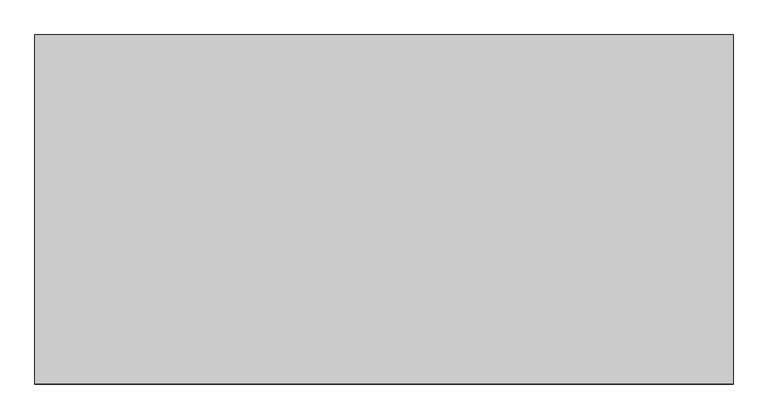
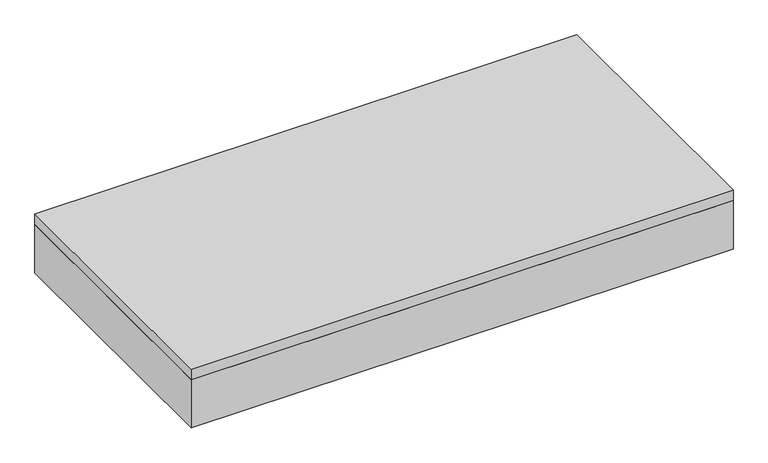
"""IFC4 building model written with IfcOpenShell, lengths in millimetres: light fixture geometry."""

import ifcopenshell
import ifcopenshell.guid

model = None  # the IFC model being written
_history = None  # IfcOwnerHistory: only IFC2X3 demands one
_inside = {}  # id of a spatial element -> (the spatial element, [elements in it])
_under = {}  # id of a project, library or spatial element -> (it, [spatial elements below it])
_declared = {}  # id of a project -> (the project, [libraries it declares])
_typed = {}  # id of a type object -> (the type object, [elements of that type])
_made_of = {}  # id of a material, layer set ... -> (it, [elements and type objects made of it])


def new_model(schema):
    """Start an empty IFC model of exactly this schema.

    Asked for "IFC4X3", IfcOpenShell would pick the latest addendum, in which some entities
    have other attributes; the version numbers below select the first issue.
    IFC2X3 requires an IfcOwnerHistory on every rooted entity: one is made here for all.
    """
    global model, _history
    if schema == "IFC4X3":
        model = ifcopenshell.file(schema_version=(4, 3, 0, 0))
    else:
        model = ifcopenshell.file(schema=schema)
    _inside.clear()
    _under.clear()
    _declared.clear()
    _typed.clear()
    _made_of.clear()
    _history = None
    if model.schema == "IFC2X3":
        org = make("IfcOrganization", Name="unknown")
        user = make(
            "IfcPersonAndOrganization",
            ThePerson=make("IfcPerson", FamilyName="unknown"),
            TheOrganization=org,
        )
        app = make(
            "IfcApplication",
            ApplicationDeveloper=org,
            Version="unknown",
            ApplicationFullName="unknown",
            ApplicationIdentifier="unknown",
        )
        _history = make(
            "IfcOwnerHistory",
            OwningUser=user,
            OwningApplication=app,
            ChangeAction="ADDED",
            CreationDate=0,
        )
    return model


def make(cls, **values):
    """One entity of the class cls with the attributes given. An attribute that is None is left unset."""
    return model.create_entity(
        cls, **{name: value for name, value in values.items() if value is not None}
    )


def rooted(cls, **values):
    """An entity with a GlobalId (a new one), such as an element, a storey or a relation."""
    return make(cls, GlobalId=ifcopenshell.guid.new(), OwnerHistory=_history, **values)


def si_unit(unit_type, name, prefix=None):
    """IfcSIUnit, for example si_unit("LENGTHUNIT", "METRE", prefix="MILLI")."""
    return make("IfcSIUnit", UnitType=unit_type, Prefix=prefix, Name=name)


def assignment(units):
    """IfcUnitAssignment: the units of a project."""
    return None if units is None else make("IfcUnitAssignment", Units=units)


def point(xyz):
    """IfcCartesianPoint."""
    return None if xyz is None else make("IfcCartesianPoint", Coordinates=xyz)


def direction(xyz):
    """IfcDirection."""
    return None if xyz is None else make("IfcDirection", DirectionRatios=xyz)


def frame(location, z_axis=None, x_axis=None):
    """IfcAxis2Placement3D, a coordinate frame: its origin and axes. An axis left out is left unset."""
    return make(
        "IfcAxis2Placement3D",
        Location=point(location),
        Axis=direction(z_axis),
        RefDirection=direction(x_axis),
    )


def origin():
    """The frame at (0, 0, 0) with its axes left unset."""
    return frame((0.0, 0.0, 0.0))


def place(relative_to, where):
    """IfcLocalPlacement: puts the frame where relative to a parent placement (None: the world)."""
    return make(
        "IfcLocalPlacement", PlacementRelTo=relative_to, RelativePlacement=where
    )


def context(
    kind, dimensions, precision=None, world=None, true_north=None, identifier=None
):
    """IfcGeometricRepresentationContext, for example the 3D "Model" context."""
    return make(
        "IfcGeometricRepresentationContext",
        ContextIdentifier=identifier,
        ContextType=kind,
        CoordinateSpaceDimension=dimensions,
        Precision=precision,
        WorldCoordinateSystem=world,
        TrueNorth=true_north,
    )


def project(units=None, contexts=None):
    """IfcProject with its units and contexts."""
    return rooted(
        "IfcProject",
        Name="project",
        RepresentationContexts=contexts,
        UnitsInContext=assignment(units),
    )


def spatial(cls, under=None, at=None, **own):
    """A site, building, storey or space (cls), placed at a placement, below another one or the project."""
    s = rooted(cls, ObjectPlacement=at, **own)
    if under is not None:
        _under.setdefault(under.id(), (under, []))[1].append(s)
    return s


def polyline(points):
    """IfcPolyline through the points."""
    return make("IfcPolyline", Points=[point(p) for p in points])


def outline(outer, holes=None, kind="AREA"):
    """IfcArbitraryClosedProfileDef: a profile drawn as a closed curve; with holes, ...WithVoids."""
    if holes is None:
        return make("IfcArbitraryClosedProfileDef", ProfileType=kind, OuterCurve=outer)
    return make(
        "IfcArbitraryProfileDefWithVoids",
        ProfileType=kind,
        OuterCurve=outer,
        InnerCurves=holes,
    )


def extrude(swept, where, along, depth):
    """IfcExtrudedAreaSolid: the profile swept, set in the frame where, extruded along a direction by depth."""
    return make(
        "IfcExtrudedAreaSolid",
        SweptArea=swept,
        Position=where,
        ExtrudedDirection=direction(along),
        Depth=depth,
    )


def shape(context_of_items, identifier, shape_type, items):
    """IfcShapeRepresentation: the items that make up one representation, for example the "Body"."""
    return make(
        "IfcShapeRepresentation",
        ContextOfItems=context_of_items,
        RepresentationIdentifier=identifier,
        RepresentationType=shape_type,
        Items=items,
    )


def source(mapping_origin, context_of_items, identifier, shape_type, items):
    """IfcRepresentationMap: a shape defined once, which mapped items show again and again."""
    return make(
        "IfcRepresentationMap",
        MappingOrigin=mapping_origin,
        MappedRepresentation=shape(context_of_items, identifier, shape_type, items),
    )


def transform(
    local_origin,
    x_axis=None,
    y_axis=None,
    z_axis=None,
    scale=None,
    scale2=None,
    scale3=None,
    uniform=True,
):
    """IfcCartesianTransformationOperator3D, or its non-uniform kind. x_axis, y_axis, z_axis: its Axis1, 2, 3."""
    if uniform:
        return make(
            "IfcCartesianTransformationOperator3D",
            Axis1=direction(x_axis),
            Axis2=direction(y_axis),
            LocalOrigin=point(local_origin),
            Scale=scale,
            Axis3=direction(z_axis),
        )
    return make(
        "IfcCartesianTransformationOperator3DnonUniform",
        Axis1=direction(x_axis),
        Axis2=direction(y_axis),
        LocalOrigin=point(local_origin),
        Scale=scale,
        Axis3=direction(z_axis),
        Scale2=scale2,
        Scale3=scale3,
    )


def mapped(mapping_source, mapping_target):
    """IfcMappedItem: shows the shape of a source again, moved by a transform."""
    return make(
        "IfcMappedItem", MappingSource=mapping_source, MappingTarget=mapping_target
    )


def made_of(thing, what):
    """Note that an element or type object is made of a material, layer set ...; save() writes the relation."""
    if what is not None:
        _made_of.setdefault(what.id(), (what, []))[1].append(thing)
    return thing


def element(
    cls,
    number,
    at=None,
    inside=None,
    cuts=None,
    type_object=None,
    material=None,
    context=None,
    identifier="Body",
    shape_type=None,
    held_by="IfcProductDefinitionShape",
    body=None,
    shapes=None,
    **own,
):
    """One element of the class cls, such as IfcWall. Its Tag is "e" and its number.

    at: its placement. inside: the storey or other place that contains it. cuts: it is an
    opening in that element (IfcRelVoidsElement). A single representation is given by context,
    identifier, shape_type and body (its items); several are given by shapes. held_by: the class
    of the entity that holds the representations. save() writes the other relations.
    """
    e = rooted(cls, Tag="e%d" % number, ObjectPlacement=at, **own)
    if body is not None:
        shapes = [shape(context, identifier, shape_type, body)]
    if shapes is not None:
        e.Representation = make(held_by, Representations=shapes)
    if inside is not None:
        _inside.setdefault(inside.id(), (inside, []))[1].append(e)
    if cuts is not None:
        rooted(
            "IfcRelVoidsElement", RelatingBuildingElement=cuts, RelatedOpeningElement=e
        )
    if type_object is not None:
        _typed.setdefault(type_object.id(), (type_object, []))[1].append(e)
    return made_of(e, material)


def aggregate(whole, parts):
    """IfcRelAggregates: a whole, such as a stair, and the parts it consists of."""
    return rooted("IfcRelAggregates", RelatingObject=whole, RelatedObjects=parts)


def save(model, path):
    """Write the relations noted so far, then the file.

    IfcRelAggregates (storeys below a building ...), IfcRelContainedInSpatialStructure (elements
    in a storey), IfcRelDefinesByType, IfcRelAssociatesMaterial and IfcRelDeclares: one each for
    every whole, place, type object, material and project.
    """
    for whole, parts in _under.values():
        aggregate(whole, parts)
    for where, things in _inside.values():
        rooted(
            "IfcRelContainedInSpatialStructure",
            RelatedElements=things,
            RelatingStructure=where,
        )
    for kind, things in _typed.values():
        rooted("IfcRelDefinesByType", RelatedObjects=things, RelatingType=kind)
    for what, things in _made_of.values():
        rooted("IfcRelAssociatesMaterial", RelatedObjects=things, RelatingMaterial=what)
    for by, libraries in _declared.values():
        rooted("IfcRelDeclares", RelatingContext=by, RelatedDefinitions=libraries)
    model.write(path)


def light_fixture_ca384779(model_context):
    return source(origin(), model_context, "Body", "SweptSolid", [
        extrude(outline(polyline([(565.4964984, 219.9340679), (565.4964984, -338.8659321), (-602.9035016, -338.8659321), (-602.9035016, 219.9340679), (565.4964984, 219.9340679)]), holes=[polyline([(-409.2285016, 35.7840679), (-409.2285016, 213.5840679), (-596.5535016, 213.5840679), (-596.5535016, 35.7840679), (-409.2285016, 35.7840679)]), polyline([(-409.2285016, -148.3659321), (-409.2285016, 29.4340679), (-596.5535016, 29.4340679), (-596.5535016, -148.3659321), (-409.2285016, -148.3659321)]), polyline([(-409.2285016, -154.7159321), (-596.5535016, -154.7159321), (-596.5535016, -332.5159321), (-409.2285016, -332.5159321), (-409.2285016, -154.7159321)]), polyline([(-215.5535016, 35.7840679), (-215.5535016, 213.5840679), (-402.8785016, 213.5840679), (-402.8785016, 35.7840679), (-215.5535016, 35.7840679)]), polyline([(-215.5535016, -148.3659321), (-215.5535016, 29.4340679), (-402.8785016, 29.4340679), (-402.8785016, -148.3659321), (-215.5535016, -148.3659321)]), polyline([(-215.5535016, -154.7159321), (-402.8785016, -154.7159321), (-402.8785016, -332.5159321), (-215.5535016, -332.5159321), (-215.5535016, -154.7159321)]), polyline([(-21.8785016, 35.7840679), (-21.8785016, 213.5840679), (-209.2035016, 213.5840679), (-209.2035016, 35.7840679), (-21.8785016, 35.7840679)]), polyline([(-21.8785016, -148.3659321), (-21.8785016, 29.4340679), (-209.2035016, 29.4340679), (-209.2035016, -148.3659321), (-21.8785016, -148.3659321)]), polyline([(-21.8785016, -154.7159321), (-209.2035016, -154.7159321), (-209.2035016, -332.5159321), (-21.8785016, -332.5159321), (-21.8785016, -154.7159321)]), polyline([(171.7964984, 35.7840679), (171.7964984, 213.5840679), (-15.5285016, 213.5840679), (-15.5285016, 35.7840679), (171.7964984, 35.7840679)]), polyline([(171.7964984, -148.3659321), (171.7964984, 29.4340679), (-15.5285016, 29.4340679), (-15.5285016, -148.3659321), (171.7964984, -148.3659321)]), polyline([(171.7964984, -154.7159321), (-15.5285016, -154.7159321), (-15.5285016, -332.5159321), (171.7964984, -332.5159321), (171.7964984, -154.7159321)]), polyline([(365.4714984, 35.7840679), (365.4714984, 213.5840679), (178.1464984, 213.5840679), (178.1464984, 35.7840679), (365.4714984, 35.7840679)]), polyline([(365.4714984, -148.3659321), (365.4714984, 29.4340679), (178.1464984, 29.4340679), (178.1464984, -148.3659321), (365.4714984, -148.3659321)]), polyline([(365.4714984, -154.7159321), (178.1464984, -154.7159321), (178.1464984, -332.5159321), (365.4714984, -332.5159321), (365.4714984, -154.7159321)]), polyline([(559.1464984, 35.7840679), (559.1464984, 213.5840679), (371.8214984, 213.5840679), (371.8214984, 35.7840679), (559.1464984, 35.7840679)]), polyline([(559.1464984, -148.3659321), (559.1464984, 29.4340679), (371.8214984, 29.4340679), (371.8214984, -148.3659321), (559.1464984, -148.3659321)]), polyline([(559.1464984, -154.7159321), (371.8214984, -154.7159321), (371.8214984, -332.5159321), (559.1464984, -332.5159321), (559.1464984, -154.7159321)])]), frame((0.0, 0.0, 2438.4), z_axis=(0.0, 0.0, 1.0), x_axis=(1.0, 0.0, 0.0)), (0.0, 0.0, 1.0), 3.175),
        extrude(outline(polyline([(565.4964984, 219.9340679), (565.4964984, -338.8659321), (-602.9035016, -338.8659321), (-602.9035016, 219.9340679), (565.4964984, 219.9340679)])), frame((0.0, 0.0, 2514.6), z_axis=(0.0, 0.0, 1.0), x_axis=(1.0, 0.0, 0.0)), (0.0, 0.0, 1.0), 6.35),
        extrude(outline(polyline([(565.4964984, 219.9340679), (565.4964984, -338.8659321), (-602.9035016, -338.8659321), (-602.9035016, 219.9340679), (565.4964984, 219.9340679)]), holes=[polyline([(-409.2285016, 35.7840679), (-409.2285016, 213.5840679), (-596.5535016, 213.5840679), (-596.5535016, 35.7840679), (-409.2285016, 35.7840679)]), polyline([(-409.2285016, -148.3659321), (-409.2285016, 29.4340679), (-596.5535016, 29.4340679), (-596.5535016, -148.3659321), (-409.2285016, -148.3659321)]), polyline([(-409.2285016, -154.7159321), (-596.5535016, -154.7159321), (-596.5535016, -332.5159321), (-409.2285016, -332.5159321), (-409.2285016, -154.7159321)]), polyline([(-215.5535016, 35.7840679), (-215.5535016, 213.5840679), (-402.8785016, 213.5840679), (-402.8785016, 35.7840679), (-215.5535016, 35.7840679)]), polyline([(-215.5535016, -148.3659321), (-215.5535016, 29.4340679), (-402.8785016, 29.4340679), (-402.8785016, -148.3659321), (-215.5535016, -148.3659321)]), polyline([(-215.5535016, -154.7159321), (-402.8785016, -154.7159321), (-402.8785016, -332.5159321), (-215.5535016, -332.5159321), (-215.5535016, -154.7159321)]), polyline([(-21.8785016, 35.7840679), (-21.8785016, 213.5840679), (-209.2035016, 213.5840679), (-209.2035016, 35.7840679), (-21.8785016, 35.7840679)]), polyline([(-21.8785016, -148.3659321), (-21.8785016, 29.4340679), (-209.2035016, 29.4340679), (-209.2035016, -148.3659321), (-21.8785016, -148.3659321)]), polyline([(-21.8785016, -154.7159321), (-209.2035016, -154.7159321), (-209.2035016, -332.5159321), (-21.8785016, -332.5159321), (-21.8785016, -154.7159321)]), polyline([(171.7964984, 35.7840679), (171.7964984, 213.5840679), (-15.5285016, 213.5840679), (-15.5285016, 35.7840679), (171.7964984, 35.7840679)]), polyline([(171.7964984, -148.3659321), (171.7964984, 29.4340679), (-15.5285016, 29.4340679), (-15.5285016, -148.3659321), (171.7964984, -148.3659321)]), polyline([(171.7964984, -154.7159321), (-15.5285016, -154.7159321), (-15.5285016, -332.5159321), (171.7964984, -332.5159321), (171.7964984, -154.7159321)]), polyline([(365.4714984, 35.7840679), (365.4714984, 213.5840679), (178.1464984, 213.5840679), (178.1464984, 35.7840679), (365.4714984, 35.7840679)]), polyline([(365.4714984, -148.3659321), (365.4714984, 29.4340679), (178.1464984, 29.4340679), (178.1464984, -148.3659321), (365.4714984, -148.3659321)]), polyline([(365.4714984, -154.7159321), (178.1464984, -154.7159321), (178.1464984, -332.5159321), (365.4714984, -332.5159321), (365.4714984, -154.7159321)]), polyline([(559.1464984, 35.7840679), (559.1464984, 213.5840679), (371.8214984, 213.5840679), (371.8214984, 35.7840679), (559.1464984, 35.7840679)]), polyline([(559.1464984, -148.3659321), (559.1464984, 29.4340679), (371.8214984, 29.4340679), (371.8214984, -148.3659321), (559.1464984, -148.3659321)]), polyline([(559.1464984, -154.7159321), (371.8214984, -154.7159321), (371.8214984, -332.5159321), (559.1464984, -332.5159321), (559.1464984, -154.7159321)])]), frame((0.0, 0.0, 2441.575), z_axis=(0.0, 0.0, 1.0), x_axis=(1.0, 0.0, 0.0)), (0.0, 0.0, 1.0), 47.625),
        extrude(outline(polyline([(590.8964984, 245.3340679), (590.8964984, -364.2659321), (-628.3035016, -364.2659321), (-628.3035016, 245.3340679), (590.8964984, 245.3340679)]), holes=[polyline([(565.4964984, 219.9340679), (-602.9035016, 219.9340679), (-602.9035016, -338.8659321), (565.4964984, -338.8659321), (565.4964984, 219.9340679)])]), frame((0.0, 0.0, 2438.4), z_axis=(0.0, 0.0, 1.0), x_axis=(1.0, 0.0, 0.0)), (0.0, 0.0, 1.0), 114.3),
        extrude(outline(polyline([(590.8964984, 245.3340679), (590.8964984, -364.2659321), (-628.3035016, -364.2659321), (-628.3035016, 245.3340679), (590.8964984, 245.3340679)])), frame((0.0, 0.0, 2552.7), z_axis=(0.0, 0.0, 1.0), x_axis=(1.0, 0.0, 0.0)), (0.0, 0.0, 1.0), 25.4),
    ])


if __name__ == "__main__":
    model = new_model("IFC4")
    model_context = context("Model", 3, world=origin())
    ifc_project = project(units=[si_unit("LENGTHUNIT", "METRE", prefix="MILLI")], contexts=[model_context])
    site = spatial("IfcSite", under=ifc_project)
    building = spatial("IfcBuilding", under=site)
    placement = place(None, origin())
    light_fixture_shape = light_fixture_ca384779(model_context)
    element("IfcLightFixture", 1, at=placement, inside=building, context=model_context, shape_type="MappedRepresentation", body=[
        mapped(light_fixture_shape, transform((0.0, 0.0, 0.0), x_axis=(1.0, 0.0, 0.0), y_axis=(0.0, 1.0, 0.0), z_axis=(0.0, 0.0, 1.0))),
    ])
    save(model, "model.ifc")
